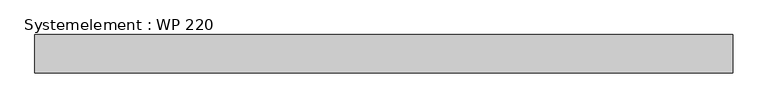
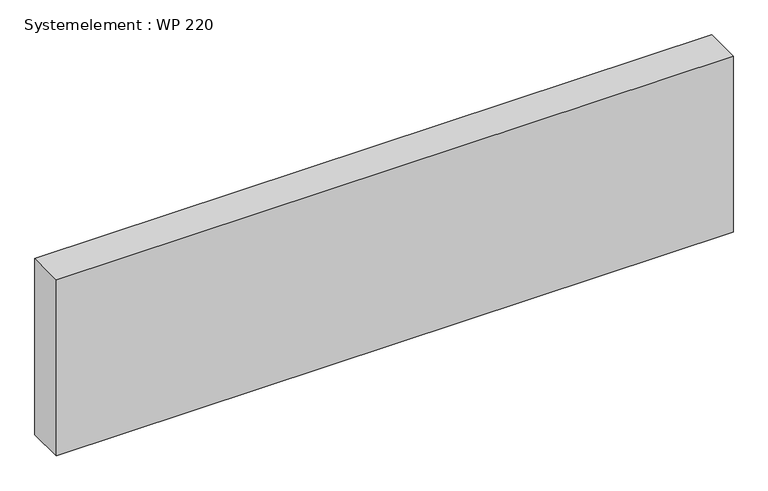
"""IFC4 building model written with IfcOpenShell, lengths in millimetres: plate geometry, Systemelement : WP 220."""

from ifc_helpers import new_model, si_unit, origin, origin_with_axes, place, context, project, spatial, polyline, outline, extrude, source, transform, mapped, element, save


def systemelement_wp_220_b3a88903(model_context):
    return source(origin(), model_context, "Body", "SweptSolid", [
        extrude(outline(polyline([(2000.0, -220.0), (-2000.0, -220.0), (-2000.0, 0.0), (2000.0, 0.0), (2000.0, -220.0)])), origin_with_axes(), (0.0, 0.0, 1.0), 1100.0),
    ])


if __name__ == "__main__":
    model = new_model("IFC4")
    model_context = context("Model", 3, world=origin())
    ifc_project = project(units=[si_unit("LENGTHUNIT", "METRE", prefix="MILLI")], contexts=[model_context])
    site = spatial("IfcSite", under=ifc_project)
    building = spatial("IfcBuilding", under=site)
    placement = place(None, origin())
    systemelement_wp_220_shape = systemelement_wp_220_b3a88903(model_context)
    element("IfcPlate", 1, ObjectType="Systemelement : WP 220", at=placement, inside=building, context=model_context, shape_type="MappedRepresentation", body=[
        mapped(systemelement_wp_220_shape, transform((0.0, 0.0, 0.0), x_axis=(1.0, 0.0, 0.0), y_axis=(0.0, 1.0, 0.0), z_axis=(0.0, 0.0, 1.0))),
    ])
    save(model, "model.ifc")
